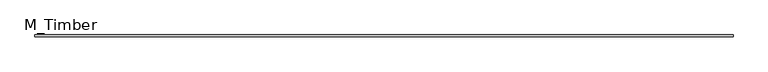
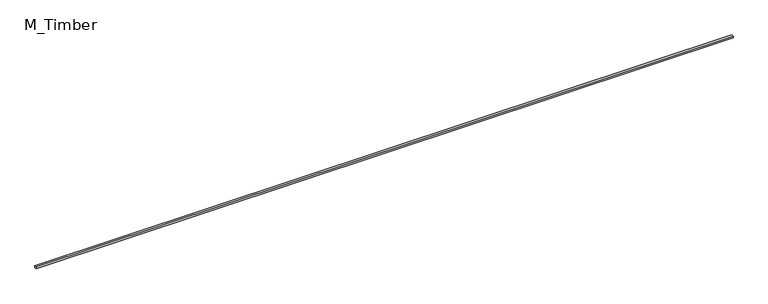
"""IFC4 building model written with IfcOpenShell, lengths in millimetres: beam geometry, M_Timber."""

from ifc_helpers import new_model, si_unit, frame, origin, place, context, project, spatial, polyline, outline, extrude, source, transform, mapped, element, save


def m_timber_858bb771(model_context):
    return source(origin(), model_context, "Body", "SweptSolid", [
        extrude(outline(polyline([(6958.3336158, 20.0), (6958.3336158, -20.0), (-6958.3336158, -20.0), (-6958.3336158, 20.0), (6958.3336158, 20.0)])), frame((0.0, 0.0, -20.0), z_axis=(0.0, 0.0, 1.0), x_axis=(1.0, 0.0, 0.0)), (0.0, 0.0, 1.0), 40.0),
    ])


if __name__ == "__main__":
    model = new_model("IFC4")
    model_context = context("Model", 3, world=origin())
    ifc_project = project(units=[si_unit("LENGTHUNIT", "METRE", prefix="MILLI")], contexts=[model_context])
    site = spatial("IfcSite", under=ifc_project)
    building = spatial("IfcBuilding", under=site)
    placement = place(None, origin())
    m_timber_shape = m_timber_858bb771(model_context)
    element("IfcBeam", 1, ObjectType="M_Timber", at=placement, inside=building, context=model_context, shape_type="MappedRepresentation", body=[
        mapped(m_timber_shape, transform((0.0, 0.0, 0.0), x_axis=(1.0, 0.0, 0.0), y_axis=(0.0, 1.0, 0.0), z_axis=(0.0, 0.0, 1.0))),
    ])
    save(model, "model.ifc")
